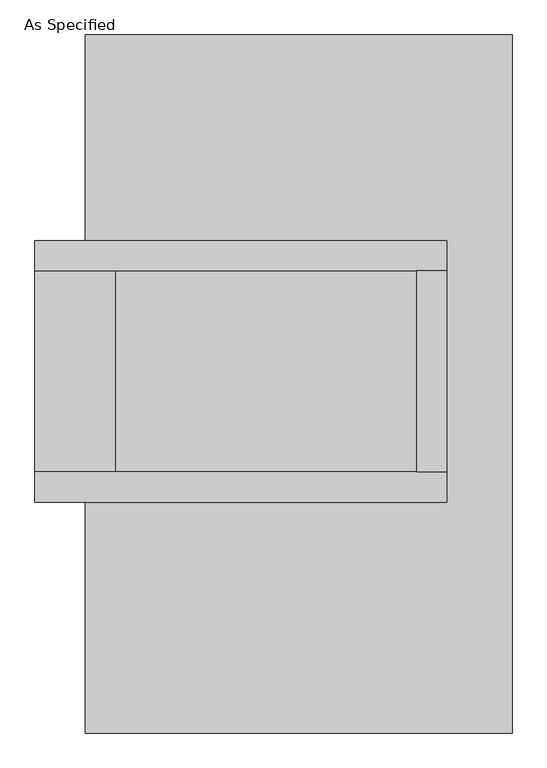
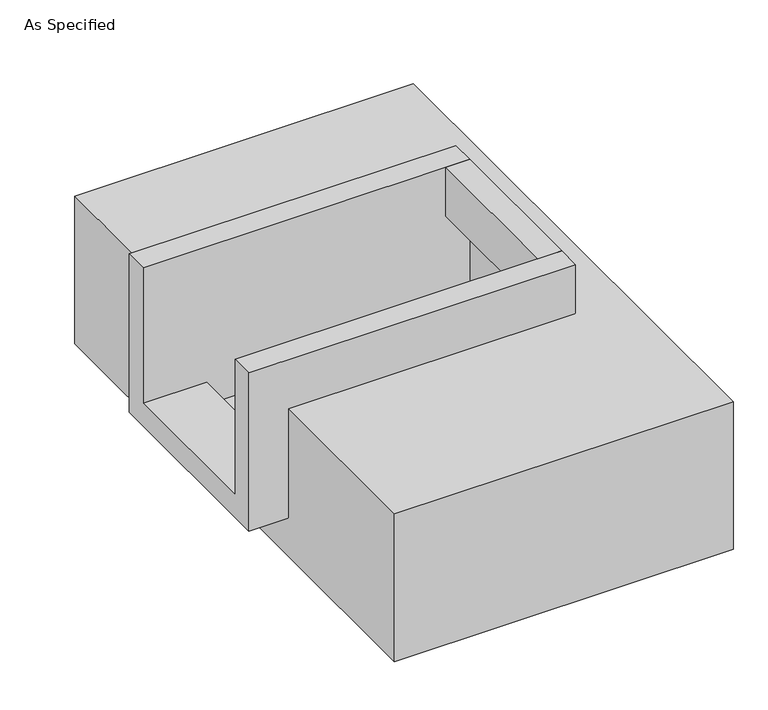
"""IFC4 building model written with IfcOpenShell, lengths in millimetres: proxy geometry, As Specified."""

from ifc_helpers import new_model, si_unit, frame, origin, place, context, project, spatial, polyline, outline, extrude, faceted_brep, source, transform, mapped, element, save


def as_specified_88bc6e9f(model_context):
    return source(origin(), model_context, "Body", "SolidModel", [
        extrude(outline(polyline([(298.45, 285.75), (374.65, 285.75), (374.65, -222.25), (298.45, -222.25), (298.45, 285.75)])), frame((0.0, 0.0, -25.4), z_axis=(0.0, 0.0, 1.0), x_axis=(1.0, 0.0, 0.0)), (0.0, 0.0, 1.0), 165.1),
        faceted_brep([(374.65, 285.75, 139.7), (374.65, 285.75, -317.5), (374.65, -222.25, -317.5), (374.65, -222.25, 139.7), (374.65, -298.45, 139.7), (374.65, -298.45, -393.7), (374.65, 361.95, -393.7), (374.65, 361.95, 139.7), (-666.75, 285.75, 139.7), (-666.75, 361.95, 139.7), (-666.75, 361.95, -393.7), (-666.75, -298.45, -393.7), (-666.75, -298.45, 139.7), (-666.75, -222.25, 139.7), (-666.75, -222.25, -317.5), (-666.75, 285.75, -317.5), (-463.55, 285.75, -393.7), (-463.55, -222.25, -393.7), (298.45, -222.25, -393.7), (298.45, 285.75, -393.7), (298.45, -222.25, -317.5), (-463.55, -222.25, -317.5), (298.45, 285.75, -317.5), (-463.55, 285.75, -317.5)], [[[0, 1, 2, 3, 4, 5, 6, 7]], [[8, 9, 10, 11, 12, 13, 14, 15]], [[0, 7, 9, 8]], [[7, 6, 10, 9]], [[6, 5, 11, 10], [16, 17, 18, 19]], [[4, 3, 13, 12]], [[3, 2, 20, 18, 17, 21, 14, 13]], [[2, 1, 22, 20]], [[15, 14, 21, 23]], [[1, 0, 8, 15, 23, 16, 19, 22]], [[21, 17, 16, 23]], [[18, 20, 22, 19]], [[5, 4, 12, 11]]]),
        faceted_brep([(-539.75, 882.65, -523.9742188), (539.75, 882.65, -523.9742188), (539.75, -882.65, -523.9742188), (-539.75, -882.65, -523.9742188), (539.75, 882.65, -25.4), (-539.75, 882.65, -25.4), (-539.75, 361.95, -25.4), (374.65, 361.95, -25.4), (374.65, -298.45, -25.4), (-539.75, -298.45, -25.4), (-539.75, -882.65, -25.4), (539.75, -882.65, -25.4), (-539.75, -298.45, -393.7), (-539.75, 361.95, -393.7), (374.65, 361.95, -393.7), (374.65, -298.45, -393.7)], [[[0, 1, 2, 3]], [[4, 5, 6, 7, 8, 9, 10, 11]], [[1, 0, 5, 4]], [[5, 0, 3, 10, 9, 12, 13, 6]], [[1, 4, 11, 2]], [[3, 2, 11, 10]], [[14, 15, 8, 7]], [[13, 14, 7, 6]], [[15, 14, 13, 12]], [[15, 12, 9, 8]]]),
    ])


if __name__ == "__main__":
    model = new_model("IFC4")
    model_context = context("Model", 3, world=origin())
    ifc_project = project(units=[si_unit("LENGTHUNIT", "METRE", prefix="MILLI")], contexts=[model_context])
    site = spatial("IfcSite", under=ifc_project)
    building = spatial("IfcBuilding", under=site)
    placement = place(None, origin())
    as_specified_shape = as_specified_88bc6e9f(model_context)
    element("IfcBuildingElementProxy", 1, Name="As Specified", ObjectType="As Specified", at=placement, inside=building, context=model_context, shape_type="MappedRepresentation", body=[
        mapped(as_specified_shape, transform((0.0, 0.0, 0.0), x_axis=(1.0, 0.0, 0.0), y_axis=(0.0, 1.0, 0.0), z_axis=(0.0, 0.0, 1.0))),
    ])
    save(model, "model.ifc")
